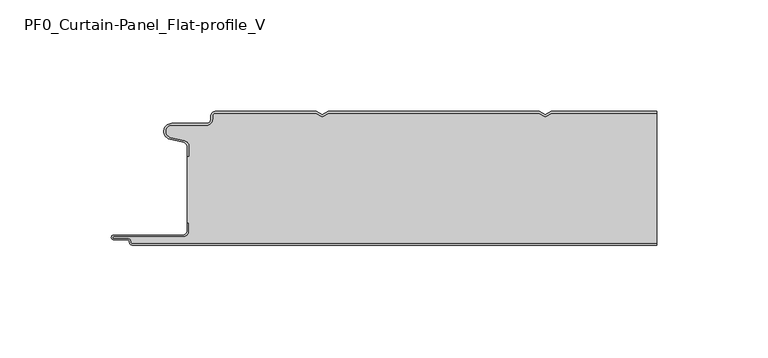
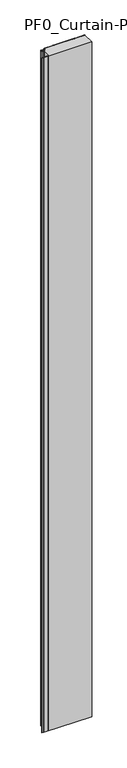
"""IFC4 building model written with IfcOpenShell, lengths in millimetres: plate geometry, PF0_Curtain-Panel_Flat-profile_V."""

from ifc_helpers import new_model, si_unit, point, frame_2d, origin, origin_with_axes, place, context, project, spatial, polyline, circle_curve, trimmed, segment, composite_curve, outline, extrude, source, transform, mapped, element, save


def pf0_curtain_panel_flat_profile_v_1e9f2aa3(model_context):
    return source(origin(), model_context, "Body", "SweptSolid", [
        extrude(outline(composite_curve([segment(trimmed(circle_curve(frame_2d((-102.0, -15.878557)), 2.0), [point((-100.0, -15.878557))], [point((-101.5500978, -13.9298169))], True, "CARTESIAN"), True, "CONTINUOUS"), segment(polyline([(-101.5500978, -13.9298169), (-107.7098239, -12.507732)]), True, "CONTINUOUS"), segment(trimmed(circle_curve(frame_2d((-106.9, -9.0)), 3.6), [point((-107.7098239, -12.507732))], [point((-106.9, -5.4))], False, "CARTESIAN"), True, "CONTINUOUS"), segment(polyline([(-106.9, -5.4), (-91.4, -5.4)]), True, "CONTINUOUS"), segment(trimmed(circle_curve(frame_2d((-91.4, -3.4)), 2.0), [point((-91.4, -5.4))], [point((-89.4, -3.4))], True, "CARTESIAN"), True, "CONTINUOUS"), segment(polyline([(-89.4, -3.4), (-89.4, -2.0)]), True, "CONTINUOUS"), segment(trimmed(circle_curve(frame_2d((-87.4, -2.0)), 2.0), [point((-89.4, -2.0))], [point((-87.4, 0.0))], False, "CARTESIAN"), True, "CONTINUOUS"), segment(polyline([(-87.4, 0.0), (-42.0999995, 0.0), (-39.4, -1.5588455), (-36.7000005, 0.0), (57.9000005, 0.0), (60.6, -1.5588455), (63.2999995, 0.0), (110.6, 0.0), (110.6, -0.8), (63.5143588, -0.8), (60.6, -2.482606), (57.6856412, -0.8), (-36.4856412, -0.8), (-39.4, -2.482606), (-42.3143588, -0.8), (-87.4, -0.8)]), True, "CONTINUOUS"), segment(trimmed(circle_curve(frame_2d((-87.4, -2.0)), 1.2), [point((-87.4, -0.8))], [point((-88.6, -2.0))], True, "CARTESIAN"), True, "CONTINUOUS"), segment(polyline([(-88.6, -2.0), (-88.6, -3.4)]), True, "CONTINUOUS"), segment(trimmed(circle_curve(frame_2d((-91.4, -3.4)), 2.8), [point((-88.6, -3.4))], [point((-91.4, -6.2))], False, "CARTESIAN"), True, "CONTINUOUS"), segment(polyline([(-91.4, -6.2), (-106.9, -6.2)]), True, "CONTINUOUS"), segment(trimmed(circle_curve(frame_2d((-106.9, -9.0)), 2.8), [point((-106.9, -6.2))], [point((-107.529863, -11.7282362))], True, "CARTESIAN"), True, "CONTINUOUS"), segment(polyline([(-107.529863, -11.7282362), (-101.370137, -13.150321)]), True, "CONTINUOUS"), segment(trimmed(circle_curve(frame_2d((-102.0, -15.878557)), 2.8), [point((-101.370137, -13.150321))], [point((-99.2, -15.878557))], False, "CARTESIAN"), True, "CONTINUOUS"), segment(polyline([(-99.2, -15.878557), (-99.2, -20.0), (-100.0, -20.0), (-100.0, -15.878557)]), True, "CONTINUOUS")], self_intersect=False)), origin_with_axes(), (0.0, 0.0, 1.0), 3500.0),
        extrude(outline(composite_curve([segment(polyline([(-99.2, -50.0), (-100.0, -50.0), (-100.0, -20.0), (-99.2, -20.0), (-99.2, -15.878557)]), True, "CONTINUOUS"), segment(trimmed(circle_curve(frame_2d((-102.0, -15.878557)), 2.8), [point((-99.2, -15.878557))], [point((-101.370137, -13.1503208))], True, "CARTESIAN"), True, "CONTINUOUS"), segment(polyline([(-101.370137, -13.1503208), (-107.529863, -11.7282362)]), True, "CONTINUOUS"), segment(trimmed(circle_curve(frame_2d((-106.9, -9.0)), 2.8), [point((-107.529863, -11.7282362))], [point((-106.9, -6.2))], False, "CARTESIAN"), True, "CONTINUOUS"), segment(polyline([(-106.9, -6.2), (-91.4, -6.2)]), True, "CONTINUOUS"), segment(trimmed(circle_curve(frame_2d((-91.4, -3.4)), 2.8), [point((-91.4, -6.2))], [point((-88.6, -3.4))], True, "CARTESIAN"), True, "CONTINUOUS"), segment(polyline([(-88.6, -3.4), (-88.6, -2.0)]), True, "CONTINUOUS"), segment(trimmed(circle_curve(frame_2d((-87.4, -2.0)), 1.2), [point((-88.6, -2.0))], [point((-87.4, -0.8))], False, "CARTESIAN"), True, "CONTINUOUS"), segment(polyline([(-87.4, -0.8), (-42.3143588, -0.8), (-39.4, -2.482606), (-36.4856412, -0.8), (57.6856412, -0.8), (60.6, -2.482606), (63.5143588, -0.8), (110.6, -0.8), (110.6, -59.2), (-124.4, -59.2)]), True, "CONTINUOUS"), segment(trimmed(circle_curve(frame_2d((-124.4, -58.4)), 0.8), [point((-124.4, -59.2))], [point((-125.2, -58.4))], False, "CARTESIAN"), True, "CONTINUOUS"), segment(trimmed(circle_curve(frame_2d((-126.9, -58.6133333)), 1.7133333), [point((-125.2, -58.4))], [point((-126.9, -56.9))], True, "CARTESIAN"), True, "CONTINUOUS"), segment(polyline([(-126.9, -56.9), (-132.8700312, -56.9)]), True, "CONTINUOUS"), segment(trimmed(circle_curve(frame_2d((-132.8700312, -56.6)), 0.3), [point((-132.8700312, -56.9))], [point((-132.8700312, -56.3))], False, "CARTESIAN"), True, "CONTINUOUS"), segment(polyline([(-132.8700312, -56.3), (-102.0, -56.3)]), True, "CONTINUOUS"), segment(trimmed(circle_curve(frame_2d((-102.0, -53.5)), 2.8), [point((-102.0, -56.3))], [point((-99.2, -53.5))], True, "CARTESIAN"), True, "CONTINUOUS"), segment(polyline([(-99.2, -53.5), (-99.2, -50.0)]), True, "CONTINUOUS")], self_intersect=False)), origin_with_axes(), (0.0, 0.0, 1.0), 3500.0),
        extrude(outline(composite_curve([segment(polyline([(-100.0, -50.0), (-99.2, -50.0), (-99.2, -53.5)]), True, "CONTINUOUS"), segment(trimmed(circle_curve(frame_2d((-102.0, -53.5)), 2.8), [point((-99.2, -53.5))], [point((-102.0, -56.3))], False, "CARTESIAN"), True, "CONTINUOUS"), segment(polyline([(-102.0, -56.3), (-132.8700312, -56.3)]), True, "CONTINUOUS"), segment(trimmed(circle_curve(frame_2d((-132.8700312, -56.6)), 0.3), [point((-132.8700312, -56.3))], [point((-132.8700312, -56.9))], True, "CARTESIAN"), True, "CONTINUOUS"), segment(polyline([(-132.8700312, -56.9), (-126.9, -56.9)]), True, "CONTINUOUS"), segment(trimmed(circle_curve(frame_2d((-126.9, -58.6133333)), 1.7133333), [point((-126.9, -56.9))], [point((-125.2, -58.4))], False, "CARTESIAN"), True, "CONTINUOUS"), segment(trimmed(circle_curve(frame_2d((-124.4, -58.4)), 0.8), [point((-125.2, -58.4))], [point((-124.4, -59.2))], True, "CARTESIAN"), True, "CONTINUOUS"), segment(polyline([(-124.4, -59.2), (110.6, -59.2), (110.6, -60.0), (-124.4, -60.0)]), True, "CONTINUOUS"), segment(trimmed(circle_curve(frame_2d((-124.4, -58.4)), 1.6), [point((-124.4, -60.0))], [point((-126.0, -58.4))], False, "CARTESIAN"), True, "CONTINUOUS"), segment(trimmed(circle_curve(frame_2d((-126.9, -58.4)), 0.9), [point((-126.0, -58.4))], [point((-126.9, -57.5))], True, "CARTESIAN"), True, "CONTINUOUS"), segment(polyline([(-126.9, -57.5), (-133.0, -57.5)]), True, "CONTINUOUS"), segment(trimmed(circle_curve(frame_2d((-133.0, -56.5)), 1.0), [point((-133.0, -57.5))], [point((-133.0, -55.5))], False, "CARTESIAN"), True, "CONTINUOUS"), segment(polyline([(-133.0, -55.5), (-102.0, -55.5)]), True, "CONTINUOUS"), segment(trimmed(circle_curve(frame_2d((-102.0, -53.5)), 2.0), [point((-102.0, -55.5))], [point((-100.0, -53.5))], True, "CARTESIAN"), True, "CONTINUOUS"), segment(polyline([(-100.0, -53.5), (-100.0, -50.0)]), True, "CONTINUOUS")], self_intersect=False)), origin_with_axes(), (0.0, 0.0, 1.0), 3500.0),
    ])


if __name__ == "__main__":
    model = new_model("IFC4")
    model_context = context("Model", 3, world=origin())
    ifc_project = project(units=[si_unit("LENGTHUNIT", "METRE", prefix="MILLI")], contexts=[model_context])
    site = spatial("IfcSite", under=ifc_project)
    building = spatial("IfcBuilding", under=site)
    placement = place(None, origin())
    pf0_curtain_panel_flat_profile_v_shape = pf0_curtain_panel_flat_profile_v_1e9f2aa3(model_context)
    element("IfcPlate", 1, ObjectType="PF0_Curtain-Panel_Flat-profile_V", at=placement, inside=building, context=model_context, shape_type="MappedRepresentation", body=[
        mapped(pf0_curtain_panel_flat_profile_v_shape, transform((0.0, 0.0, 0.0), x_axis=(1.0, 0.0, 0.0), y_axis=(0.0, 1.0, 0.0), z_axis=(0.0, 0.0, 1.0))),
    ])
    save(model, "model.ifc")
